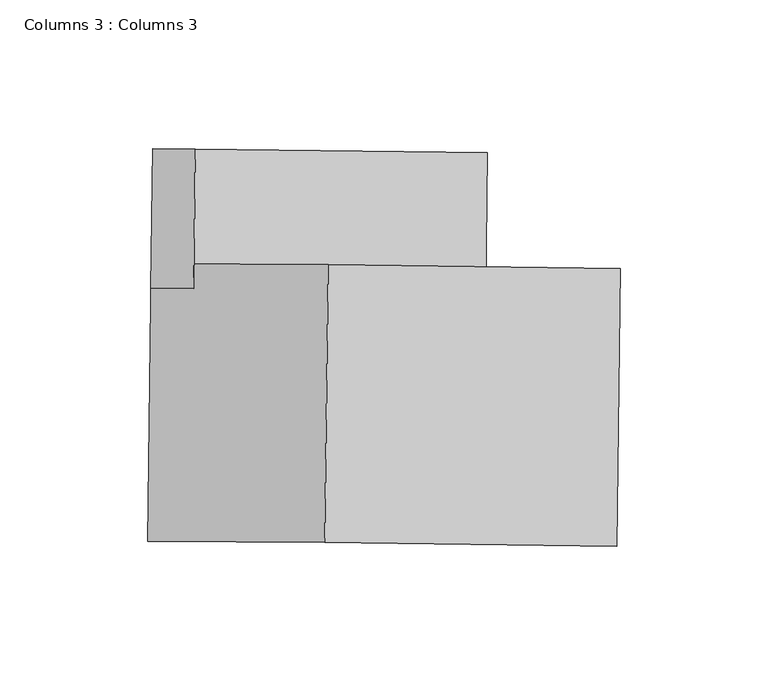
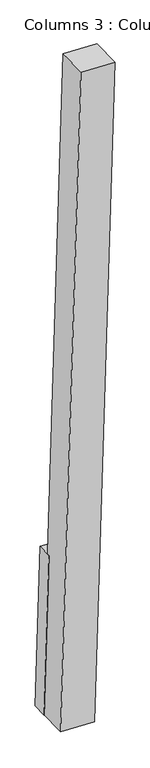
"""IFC4 building model written with IfcOpenShell, lengths in millimetres: column geometry, Columns 3 : Columns 3."""

from ifc_helpers import new_model, si_unit, frame, origin, place, context, project, spatial, polyline, outline, extrude, source, transform, mapped, element, save


def columns_3_columns_3_e9213a27(model_context):
    return source(origin(), model_context, "Body", "SweptSolid", [
        extrude(outline(polyline([(0.0, -47.2076585), (0.0, 0.0), (98.8766489, -1e-07), (98.876649, -47.2076585), (0.0, -47.2076585)])), frame((-40966.287259, 33080.0877262, 109224.737585), z_axis=(0.029360811235128036, -0.00037197088901680397, 0.9995688092378999), x_axis=(0.9994886022460369, -0.012662479280786435, -0.029363167382404375)), (0.0, 0.0, 1.0), 492.9976601),
        extrude(outline(polyline([(-1e-07, -94.0952595), (0.0, 0.0), (98.8766489, 0.0), (98.8766489, -94.0952595), (-1e-07, -94.0952595)])), frame((-40966.760397, 33041.2234007, 109225.3922385), z_axis=(0.029360811235128074, -0.0003719708890136612, 0.9995688092378999), x_axis=(0.9994886022460369, -0.012662479280786435, -0.029363167382404375)), (0.0, 0.0, 1.0), 2040.3291716),
    ])


if __name__ == "__main__":
    model = new_model("IFC4")
    model_context = context("Model", 3, world=origin())
    ifc_project = project(units=[si_unit("LENGTHUNIT", "METRE", prefix="MILLI")], contexts=[model_context])
    site = spatial("IfcSite", under=ifc_project)
    building = spatial("IfcBuilding", under=site)
    placement = place(None, origin())
    columns_3_columns_3_shape = columns_3_columns_3_e9213a27(model_context)
    element("IfcColumn", 1, ObjectType="Columns 3 : Columns 3", at=placement, inside=building, context=model_context, shape_type="MappedRepresentation", body=[
        mapped(columns_3_columns_3_shape, transform((0.0, 0.0, 0.0), x_axis=(1.0, 0.0, 0.0), y_axis=(0.0, 1.0, 0.0), z_axis=(0.0, 0.0, 1.0))),
    ])
    save(model, "model.ifc")
